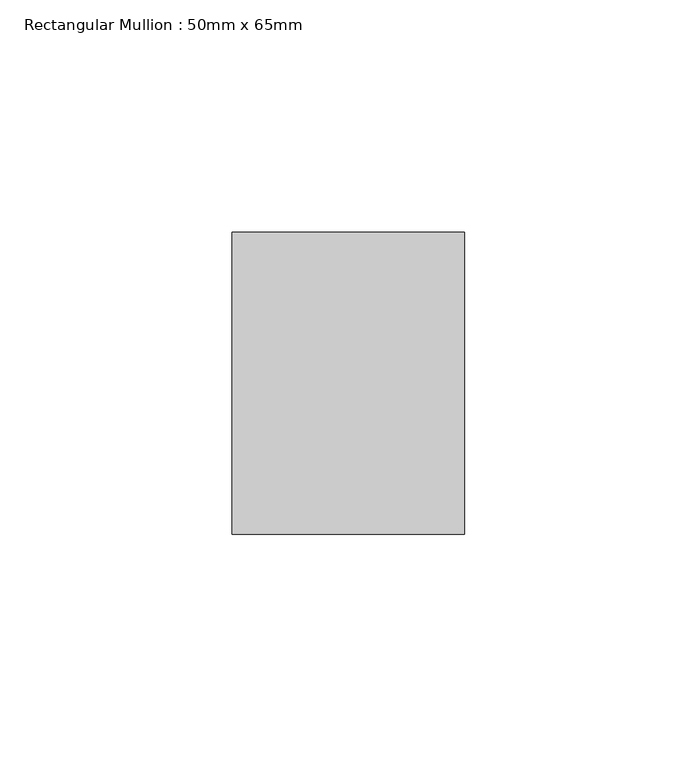
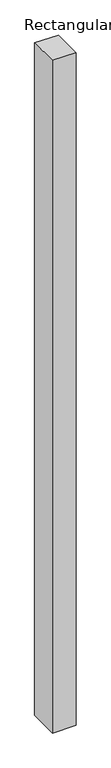
"""IFC4 building model written with IfcOpenShell, lengths in millimetres: member geometry, Rectangular Mullion : 50mm x 65mm."""

import ifcopenshell
import ifcopenshell.guid

model = None  # the IFC model being written
_history = None  # IfcOwnerHistory: only IFC2X3 demands one
_inside = {}  # id of a spatial element -> (the spatial element, [elements in it])
_under = {}  # id of a project, library or spatial element -> (it, [spatial elements below it])
_declared = {}  # id of a project -> (the project, [libraries it declares])
_typed = {}  # id of a type object -> (the type object, [elements of that type])
_made_of = {}  # id of a material, layer set ... -> (it, [elements and type objects made of it])


def new_model(schema):
    """Start an empty IFC model of exactly this schema.

    Asked for "IFC4X3", IfcOpenShell would pick the latest addendum, in which some entities
    have other attributes; the version numbers below select the first issue.
    IFC2X3 requires an IfcOwnerHistory on every rooted entity: one is made here for all.
    """
    global model, _history
    if schema == "IFC4X3":
        model = ifcopenshell.file(schema_version=(4, 3, 0, 0))
    else:
        model = ifcopenshell.file(schema=schema)
    _inside.clear()
    _under.clear()
    _declared.clear()
    _typed.clear()
    _made_of.clear()
    _history = None
    if model.schema == "IFC2X3":
        org = make("IfcOrganization", Name="unknown")
        user = make(
            "IfcPersonAndOrganization",
            ThePerson=make("IfcPerson", FamilyName="unknown"),
            TheOrganization=org,
        )
        app = make(
            "IfcApplication",
            ApplicationDeveloper=org,
            Version="unknown",
            ApplicationFullName="unknown",
            ApplicationIdentifier="unknown",
        )
        _history = make(
            "IfcOwnerHistory",
            OwningUser=user,
            OwningApplication=app,
            ChangeAction="ADDED",
            CreationDate=0,
        )
    return model


def make(cls, **values):
    """One entity of the class cls with the attributes given. An attribute that is None is left unset."""
    return model.create_entity(
        cls, **{name: value for name, value in values.items() if value is not None}
    )


def rooted(cls, **values):
    """An entity with a GlobalId (a new one), such as an element, a storey or a relation."""
    return make(cls, GlobalId=ifcopenshell.guid.new(), OwnerHistory=_history, **values)


def si_unit(unit_type, name, prefix=None):
    """IfcSIUnit, for example si_unit("LENGTHUNIT", "METRE", prefix="MILLI")."""
    return make("IfcSIUnit", UnitType=unit_type, Prefix=prefix, Name=name)


def assignment(units):
    """IfcUnitAssignment: the units of a project."""
    return None if units is None else make("IfcUnitAssignment", Units=units)


def point(xyz):
    """IfcCartesianPoint."""
    return None if xyz is None else make("IfcCartesianPoint", Coordinates=xyz)


def direction(xyz):
    """IfcDirection."""
    return None if xyz is None else make("IfcDirection", DirectionRatios=xyz)


def frame(location, z_axis=None, x_axis=None):
    """IfcAxis2Placement3D, a coordinate frame: its origin and axes. An axis left out is left unset."""
    return make(
        "IfcAxis2Placement3D",
        Location=point(location),
        Axis=direction(z_axis),
        RefDirection=direction(x_axis),
    )


def origin():
    """The frame at (0, 0, 0) with its axes left unset."""
    return frame((0.0, 0.0, 0.0))


def place(relative_to, where):
    """IfcLocalPlacement: puts the frame where relative to a parent placement (None: the world)."""
    return make(
        "IfcLocalPlacement", PlacementRelTo=relative_to, RelativePlacement=where
    )


def context(
    kind, dimensions, precision=None, world=None, true_north=None, identifier=None
):
    """IfcGeometricRepresentationContext, for example the 3D "Model" context."""
    return make(
        "IfcGeometricRepresentationContext",
        ContextIdentifier=identifier,
        ContextType=kind,
        CoordinateSpaceDimension=dimensions,
        Precision=precision,
        WorldCoordinateSystem=world,
        TrueNorth=true_north,
    )


def project(units=None, contexts=None):
    """IfcProject with its units and contexts."""
    return rooted(
        "IfcProject",
        Name="project",
        RepresentationContexts=contexts,
        UnitsInContext=assignment(units),
    )


def spatial(cls, under=None, at=None, **own):
    """A site, building, storey or space (cls), placed at a placement, below another one or the project."""
    s = rooted(cls, ObjectPlacement=at, **own)
    if under is not None:
        _under.setdefault(under.id(), (under, []))[1].append(s)
    return s


def faces_of(points, faces, orient=None, outer=None):
    """IfcFace entities. A face is a list of loops; a loop is a list of indices into points, from 0.

    orient and outer hold one flag for each loop. By default every Orientation is true, the
    first loop of a face is its IfcFaceOuterBound and the others are IfcFaceBound.
    """
    made = []
    for i, loops in enumerate(faces):
        bounds = []
        for j, loop in enumerate(loops):
            is_outer = j == 0 if outer is None else outer[i][j]
            bounds.append(
                make(
                    "IfcFaceOuterBound" if is_outer else "IfcFaceBound",
                    Bound=make("IfcPolyLoop", Polygon=[points[k] for k in loop]),
                    Orientation=True if orient is None else orient[i][j],
                )
            )
        made.append(make("IfcFace", Bounds=bounds))
    return made


def faceted_brep(points, faces, orient=None, outer=None, voids=None):
    """IfcFacetedBrep: a solid bounded by flat faces; with voids (closed shells), ...WithVoids."""
    shared = [point(p) for p in points]
    hull = make("IfcClosedShell", CfsFaces=faces_of(shared, faces, orient, outer))
    if voids is None:
        return make("IfcFacetedBrep", Outer=hull)
    return make(
        "IfcFacetedBrepWithVoids",
        Outer=hull,
        Voids=[
            make(cls, CfsFaces=faces_of(shared, fs, o, b)) for cls, fs, o, b in voids
        ],
    )


def shape(context_of_items, identifier, shape_type, items):
    """IfcShapeRepresentation: the items that make up one representation, for example the "Body"."""
    return make(
        "IfcShapeRepresentation",
        ContextOfItems=context_of_items,
        RepresentationIdentifier=identifier,
        RepresentationType=shape_type,
        Items=items,
    )


def source(mapping_origin, context_of_items, identifier, shape_type, items):
    """IfcRepresentationMap: a shape defined once, which mapped items show again and again."""
    return make(
        "IfcRepresentationMap",
        MappingOrigin=mapping_origin,
        MappedRepresentation=shape(context_of_items, identifier, shape_type, items),
    )


def transform(
    local_origin,
    x_axis=None,
    y_axis=None,
    z_axis=None,
    scale=None,
    scale2=None,
    scale3=None,
    uniform=True,
):
    """IfcCartesianTransformationOperator3D, or its non-uniform kind. x_axis, y_axis, z_axis: its Axis1, 2, 3."""
    if uniform:
        return make(
            "IfcCartesianTransformationOperator3D",
            Axis1=direction(x_axis),
            Axis2=direction(y_axis),
            LocalOrigin=point(local_origin),
            Scale=scale,
            Axis3=direction(z_axis),
        )
    return make(
        "IfcCartesianTransformationOperator3DnonUniform",
        Axis1=direction(x_axis),
        Axis2=direction(y_axis),
        LocalOrigin=point(local_origin),
        Scale=scale,
        Axis3=direction(z_axis),
        Scale2=scale2,
        Scale3=scale3,
    )


def mapped(mapping_source, mapping_target):
    """IfcMappedItem: shows the shape of a source again, moved by a transform."""
    return make(
        "IfcMappedItem", MappingSource=mapping_source, MappingTarget=mapping_target
    )


def made_of(thing, what):
    """Note that an element or type object is made of a material, layer set ...; save() writes the relation."""
    if what is not None:
        _made_of.setdefault(what.id(), (what, []))[1].append(thing)
    return thing


def element(
    cls,
    number,
    at=None,
    inside=None,
    cuts=None,
    type_object=None,
    material=None,
    context=None,
    identifier="Body",
    shape_type=None,
    held_by="IfcProductDefinitionShape",
    body=None,
    shapes=None,
    **own,
):
    """One element of the class cls, such as IfcWall. Its Tag is "e" and its number.

    at: its placement. inside: the storey or other place that contains it. cuts: it is an
    opening in that element (IfcRelVoidsElement). A single representation is given by context,
    identifier, shape_type and body (its items); several are given by shapes. held_by: the class
    of the entity that holds the representations. save() writes the other relations.
    """
    e = rooted(cls, Tag="e%d" % number, ObjectPlacement=at, **own)
    if body is not None:
        shapes = [shape(context, identifier, shape_type, body)]
    if shapes is not None:
        e.Representation = make(held_by, Representations=shapes)
    if inside is not None:
        _inside.setdefault(inside.id(), (inside, []))[1].append(e)
    if cuts is not None:
        rooted(
            "IfcRelVoidsElement", RelatingBuildingElement=cuts, RelatedOpeningElement=e
        )
    if type_object is not None:
        _typed.setdefault(type_object.id(), (type_object, []))[1].append(e)
    return made_of(e, material)


def aggregate(whole, parts):
    """IfcRelAggregates: a whole, such as a stair, and the parts it consists of."""
    return rooted("IfcRelAggregates", RelatingObject=whole, RelatedObjects=parts)


def save(model, path):
    """Write the relations noted so far, then the file.

    IfcRelAggregates (storeys below a building ...), IfcRelContainedInSpatialStructure (elements
    in a storey), IfcRelDefinesByType, IfcRelAssociatesMaterial and IfcRelDeclares: one each for
    every whole, place, type object, material and project.
    """
    for whole, parts in _under.values():
        aggregate(whole, parts)
    for where, things in _inside.values():
        rooted(
            "IfcRelContainedInSpatialStructure",
            RelatedElements=things,
            RelatingStructure=where,
        )
    for kind, things in _typed.values():
        rooted("IfcRelDefinesByType", RelatedObjects=things, RelatingType=kind)
    for what, things in _made_of.values():
        rooted("IfcRelAssociatesMaterial", RelatedObjects=things, RelatingMaterial=what)
    for by, libraries in _declared.values():
        rooted("IfcRelDeclares", RelatingContext=by, RelatedDefinitions=libraries)
    model.write(path)


def rectangular_mullion_50mm_x_65mm_da529180(model_context):
    return source(origin(), model_context, "Body", "Brep", [
        faceted_brep([(-25.0, 32.5, -0.1073303), (25.0, 32.5, -0.1073296), (25.0, 32.5, -1499.9555641), (-25.0, 32.5, -1499.9555638), (-25.0, -32.5, 0.1073296), (-25.0, -32.5, -1500.0442351), (25.0, -32.5, 0.1073303), (25.0, -32.5, -1500.0442355)], [[[0, 1, 2, 3]], [[4, 0, 3, 5]], [[6, 4, 5, 7]], [[1, 6, 7, 2]], [[1, 0, 4, 6]], [[2, 7, 5, 3]]]),
    ])


if __name__ == "__main__":
    model = new_model("IFC4")
    model_context = context("Model", 3, world=origin())
    ifc_project = project(units=[si_unit("LENGTHUNIT", "METRE", prefix="MILLI")], contexts=[model_context])
    site = spatial("IfcSite", under=ifc_project)
    building = spatial("IfcBuilding", under=site)
    placement = place(None, origin())
    rectangular_mullion_50mm_x_65mm_shape = rectangular_mullion_50mm_x_65mm_da529180(model_context)
    element("IfcMember", 1, ObjectType="Rectangular Mullion : 50mm x 65mm", at=placement, inside=building, context=model_context, shape_type="MappedRepresentation", body=[
        mapped(rectangular_mullion_50mm_x_65mm_shape, transform((0.0, 0.0, 0.0), x_axis=(1.0, 0.0, 0.0), y_axis=(0.0, 1.0, 0.0), z_axis=(0.0, 0.0, 1.0))),
    ])
    save(model, "model.ifc")
